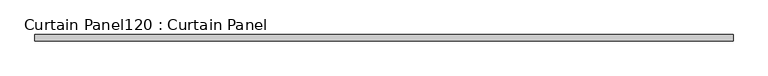
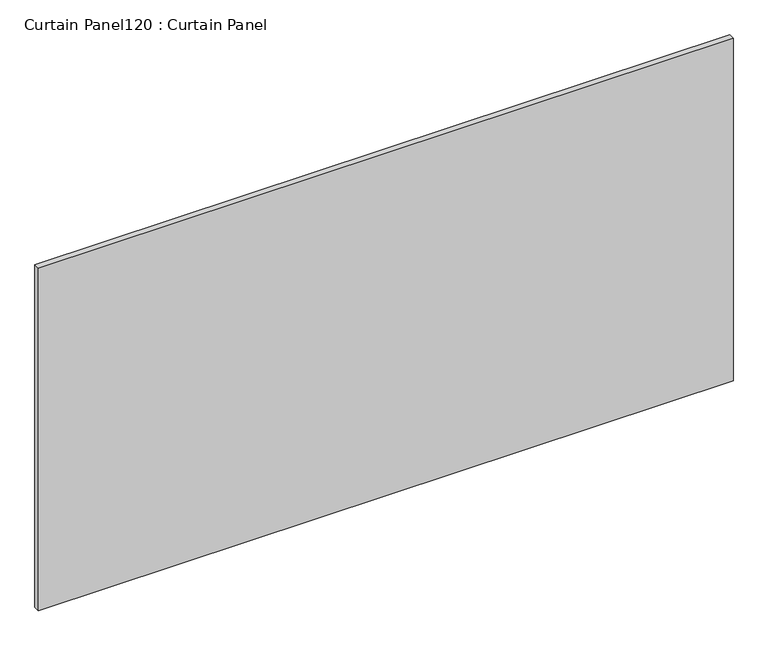
"""IFC4 building model written with IfcOpenShell, lengths in millimetres: plate geometry, Curtain Panel120 : Curtain Panel."""

from ifc_helpers import new_model, si_unit, frame, origin, place, context, project, spatial, polyline, outline, extrude, source, transform, mapped, element, save


def curtain_panel120_curtain_panel_a16b425f(model_context):
    return source(origin(), model_context, "Body", "SweptSolid", [
        extrude(outline(polyline([(267454.1063541, 2417.6234836), (264558.5063541, 2417.6234836), (264558.5063541, 2443.0234836), (267454.1063541, 2443.0234836), (267454.1063541, 2417.6234836)])), frame((0.0, 0.0, 6452.9504599), z_axis=(0.0, 0.0, 1.0), x_axis=(1.0, 0.0, 0.0)), (0.0, 0.0, 1.0), 1509.2744738),
    ])


if __name__ == "__main__":
    model = new_model("IFC4")
    model_context = context("Model", 3, world=origin())
    ifc_project = project(units=[si_unit("LENGTHUNIT", "METRE", prefix="MILLI")], contexts=[model_context])
    site = spatial("IfcSite", under=ifc_project)
    building = spatial("IfcBuilding", under=site)
    placement = place(None, origin())
    curtain_panel120_curtain_panel_shape = curtain_panel120_curtain_panel_a16b425f(model_context)
    element("IfcPlate", 1, ObjectType="Curtain Panel120 : Curtain Panel", at=placement, inside=building, context=model_context, shape_type="MappedRepresentation", body=[
        mapped(curtain_panel120_curtain_panel_shape, transform((0.0, 0.0, 0.0), x_axis=(1.0, 0.0, 0.0), y_axis=(0.0, 1.0, 0.0), z_axis=(0.0, 0.0, 1.0))),
    ])
    save(model, "model.ifc")
